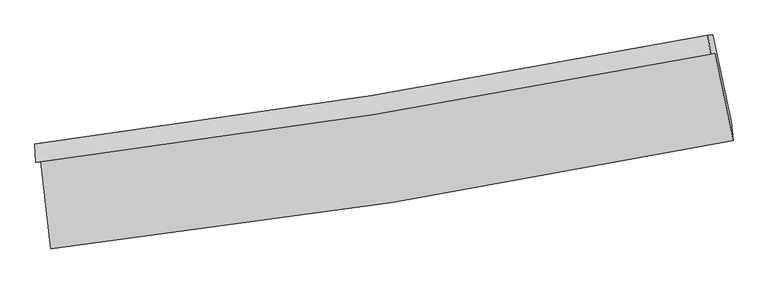
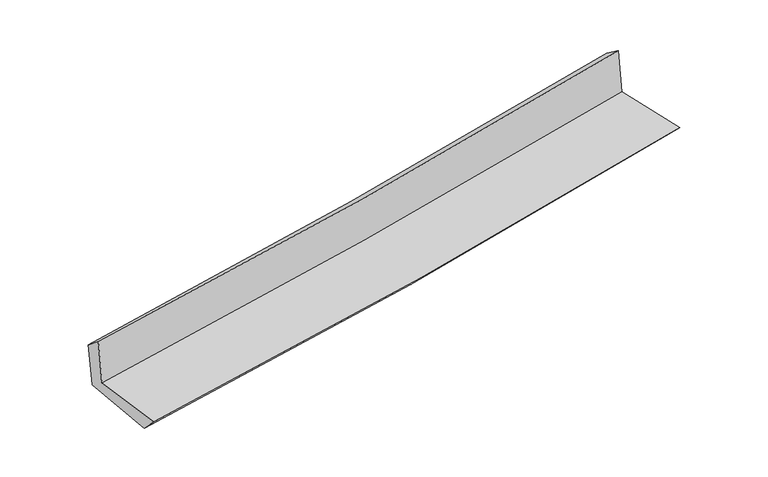
"""IFC4 building model written with IfcOpenShell, lengths in millimetres: proxy geometry."""

from ifc_helpers import new_model, si_unit, frame, origin, place, context, project, spatial, source, transform, mapped, element, save
from ifc_brep_helpers import plane_surface, spline_curve, spline_surface, advanced_brep


def generic_models_0a8a8bc8(model_context):
    return source(origin(), model_context, "Body", "AdvancedBrep", [
        advanced_brep(
        [(-2555.1228402, -1889.4748518, 1655.0274119), (-2477.2470025, -2547.8802332, 1663.680721), (2636.9523571, -1730.8890279, 2125.7059952), (2504.1815478, -1076.3138344, 2111.9257976), (-2591.743496, -1899.127751, 2064.7043483), (2468.2644572, -1085.7812797, 2513.7319177), (-2597.7661444, -1757.1139182, 1945.9817463), (2448.2734267, -941.0304213, 2411.236404), (-2562.3071045, -1755.4679967, 1559.2795897), (2484.8352278, -939.2617671, 2019.3240756), (-2481.0735572, -2405.3155887, 1520.426684), (2621.4176494, -1590.2824131, 1984.9203816)],
        [
            (0, 1),
            (1, 2, spline_curve(3, [(-2477.2470025, -2547.8802332, 1663.680721), (-1620.655073721, -2449.578333341, 1743.47267573), (-766.911804609, -2332.495854996, 1821.806361715), (937.841194057, -2060.296511554, 1975.824962673), (1788.831044918, -1905.048588222, 2051.499701574), (2636.9523571, -1730.8890279, 2125.7059952)], [4, 2, 4], [0.0, 8.471557000520939, 16.9726215702901])),
            (2, 3),
            (3, 0, spline_curve(3, [(2504.1815478, -1076.3138344, 2111.9257976), (1663.910706066, -1241.202541753, 2038.444622113), (821.429767299, -1391.502804505, 1963.56053942), (-865.020344939, -1662.455378203, 1811.251355279), (-1708.974202134, -1783.208788117, 1733.835976151), (-2555.1228402, -1889.4748518, 1655.0274119)], [4, 2, 4], [0.0, 8.501064569769163, 16.9726215702901])),
            (4, 0),
            (3, 5),
            (5, 4, spline_curve(3, [(2468.2644572, -1085.7812797, 2513.7319177), (1628.679793122, -1250.489116429, 2432.574441722), (786.482512117, -1400.714609098, 2354.517065592), (-900.204911182, -1671.729736458, 2204.862693012), (-1744.676947903, -1792.61973412, 2133.244212552), (-2591.743496, -1899.127751, 2064.7043483)], [4, 2, 4], [0.0, 8.455375423415695, 16.881401866620912])),
            (6, 4),
            (5, 7),
            (7, 6, spline_curve(3, [(2448.2734267, -941.0304213, 2411.236404), (1610.531143808, -1107.929524522, 2336.401708252), (770.421534833, -1259.477624992, 2260.143262892), (-911.608061114, -1531.399074288, 2105.048510227), (-1753.511642492, -1651.878805942, 2026.222069959), (-2597.7661444, -1757.1139182, 1945.9817463)], [4, 2, 4], [0.0, 8.445740604844955, 16.862165672358714])),
            (8, 6),
            (7, 9),
            (9, 8, spline_curve(3, [(2484.8352278, -939.2617671, 2019.3240756), (1647.062274762, -1106.178576915, 1943.692674094), (806.845140922, -1257.745778385, 1867.472259925), (-875.552575012, -1529.708148353, 1714.120016174), (-1717.716218437, -1650.209689929, 1636.992268213), (-2562.3071045, -1755.4679967, 1559.2795897)], [4, 2, 4], [0.0, 8.436619159713361, 16.843954443033006])),
            (10, 8),
            (9, 11),
            (11, 10, spline_curve(3, [(2621.4176494, -1590.2824131, 1984.9203816), (1775.430994901, -1763.995607515, 1908.15867112), (926.485692204, -1918.856998928, 1831.002027148), (-774.365213699, -2190.404080605, 1676.16805779), (-1626.250312997, -2307.220414301, 1598.493468937), (-2481.0735572, -2405.3155887, 1520.426684)], [4, 2, 4], [0.0, 8.482406073573742, 16.935369342360705])),
            (1, 10),
            (11, 2),
        ],
        [
            spline_surface(3, 3, [[(-2555.1228402, -1889.4748518, 1655.0274119), (-1708.974202044, -1783.208788239, 1733.83597604), (-865.020344854, -1662.455378334, 1811.251355302), (821.429767214, -1391.502804374, 1963.560539397), (1663.910706009, -1241.202541806, 2038.44462205), (2504.1815478, -1076.3138344, 2111.9257976)], [(-2529.164227642, -2108.943312285, 1657.911848235), (-1679.534492634, -2005.331969976, 1737.048209274), (-832.317498135, -1885.802203876, 1814.769690749), (860.233576226, -1614.434040111, 1967.648680524), (1705.550818998, -1462.484557303, 2042.796315251), (2548.438484212, -1294.505565576, 2116.519196793)], [(-2503.205615058, -2328.411772715, 1660.796284665), (-1650.094783199, -2227.455151659, 1740.260442605), (-799.614651469, -2109.14902942, 1818.288026179), (899.037385186, -1837.365275851, 1971.736821634), (1747.19093205, -1683.76657277, 2047.148008473), (2592.695420688, -1512.697296724, 2121.112596007)], [(-2477.2470025, -2547.8802332, 1663.680721), (-1620.655073789, -2449.578333396, 1743.472675839), (-766.91180475, -2332.495854962, 1821.806361626), (937.841194198, -2060.296511588, 1975.824962761), (1788.831045038, -1905.048588266, 2051.499701674), (2636.9523571, -1730.8890279, 2125.7059952)]], [4, 4], [4, 2, 4], [0.0, 2.2245886489295326], [0.0, 8.471557000520939, 16.9726215702901]),
            spline_surface(3, 3, [[(-2591.743496, -1899.127751, 2064.7043483), (-1744.676947933, -1792.619734047, 2133.244212662), (-900.204911179, -1671.729736387, 2204.862692973), (786.482512114, -1400.714609169, 2354.517065632), (1628.679793051, -1250.489116407, 2432.574441772), (2468.2644572, -1085.7812797, 2513.7319177)], [(-2579.53661072, -1895.910117918, 1928.145369525), (-1732.776032623, -1789.482752095, 2000.108133813), (-888.476722409, -1668.63828371, 2073.658913749), (798.131597142, -1397.644007578, 2224.198223553), (1640.423430703, -1247.393591533, 2301.197835208), (2480.236820732, -1082.625464593, 2379.796544343)], [(-2567.32972548, -1892.692484882, 1791.586390675), (-1720.875117354, -1786.34577019, 1866.972054889), (-876.748533624, -1665.546831011, 1942.455134526), (809.780682186, -1394.573405965, 2093.879381476), (1652.167068358, -1244.29806668, 2169.821228615), (2492.209184268, -1079.469649507, 2245.861170957)], [(-2555.1228402, -1889.4748518, 1655.0274119), (-1708.974202044, -1783.208788239, 1733.83597604), (-865.020344854, -1662.455378334, 1811.251355302), (821.429767214, -1391.502804374, 1963.560539397), (1663.910706009, -1241.202541806, 2038.44462205), (2504.1815478, -1076.3138344, 2111.9257976)]], [4, 4], [4, 2, 4], [0.0, 1.292493178974292], [0.0, 8.426026443205217, 16.881401866620912]),
            spline_surface(3, 3, [[(-2597.7661444, -1757.1139182, 1945.9817463), (-1753.511642536, -1651.878806075, 2026.222069943), (-911.608061152, -1531.399074267, 2105.048510282), (770.421534872, -1259.477625013, 2260.143262837), (1610.531143871, -1107.929524553, 2336.401708376), (2448.2734267, -941.0304213, 2411.236404)], [(-2595.758594961, -1804.451862474, 1985.555946961), (-1750.566744362, -1698.79244874, 2061.89611751), (-907.807011157, -1578.175961657, 2138.319904504), (775.775193957, -1306.556619748, 2291.601197094), (1616.580693599, -1155.449388522, 2368.459286166), (2454.937103535, -989.280707451, 2445.401575225)], [(-2593.751045439, -1851.789806726, 2025.130147639), (-1747.621846106, -1745.706091382, 2097.570165095), (-904.005961175, -1624.952848998, 2171.591298751), (781.128853029, -1353.635614434, 2323.059131375), (1622.630243323, -1202.969252438, 2400.516863982), (2461.600780365, -1037.530993549, 2479.566746475)], [(-2591.743496, -1899.127751, 2064.7043483), (-1744.676947933, -1792.619734047, 2133.244212662), (-900.204911179, -1671.729736387, 2204.862692973), (786.482512114, -1400.714609169, 2354.517065632), (1628.679793051, -1250.489116407, 2432.574441772), (2468.2644572, -1085.7812797, 2513.7319177)]], [4, 4], [4, 2, 4], [0.0, 0.562879096552008], [0.0, 8.416425067513758, 16.862165672358714]),
            spline_surface(3, 3, [[(-2562.3071045, -1755.4679967, 1559.2795897), (-1717.716218317, -1650.209689848, 1636.992268159), (-875.552574889, -1529.708148261, 1714.120016124), (806.845140799, -1257.745778477, 1867.472259975), (1647.062274839, -1106.178576825, 1943.692673966), (2484.8352278, -939.2617671, 2019.3240756)], [(-2574.126784459, -1756.016637206, 1688.180308555), (-1729.648026382, -1650.76606193, 1766.735535409), (-887.571070314, -1530.271790246, 1844.429514178), (794.70393882, -1258.323060638, 1998.362594263), (1634.8852312, -1106.762226038, 2074.59568543), (2472.647960784, -939.85131847, 2149.961518394)], [(-2585.946464441, -1756.565277694, 1817.081027445), (-1741.579834471, -1651.322433994, 1896.478802693), (-899.589565728, -1530.835432283, 1974.739012229), (782.562736851, -1258.900342851, 2129.252928549), (1622.708187509, -1107.34587534, 2205.498696912), (2460.460693716, -940.44086993, 2280.598961206)], [(-2597.7661444, -1757.1139182, 1945.9817463), (-1753.511642536, -1651.878806075, 2026.222069943), (-911.608061152, -1531.399074267, 2105.048510282), (770.421534872, -1259.477625013, 2260.143262837), (1610.531143871, -1107.929524553, 2336.401708376), (2448.2734267, -941.0304213, 2411.236404)]], [4, 4], [4, 2, 4], [0.0, 1.2909414658407856], [0.0, 8.407335283319645, 16.843954443033006]),
            spline_surface(3, 3, [[(-2481.0735572, -2405.3155887, 1520.426684), (-1626.250313099, -2307.220414283, 1598.493469069), (-774.365213625, -2190.404080495, 1676.168057759), (926.48569213, -1918.856999038, 1831.002027179), (1775.430994846, -1763.995607634, 1908.158671056), (2621.4176494, -1590.2824131, 1984.9203816)], [(-2508.151406296, -2188.699724709, 1533.377652565), (-1656.738948168, -2088.21683948, 1611.326402097), (-808.094334053, -1970.172103092, 1688.818710558), (886.605508346, -1698.486592193, 1843.158771455), (1732.641421492, -1544.723264062, 1920.003338713), (2575.890175515, -1373.275531132, 1996.388279621)], [(-2535.229255404, -1972.083860691, 1546.328621135), (-1687.227583248, -1869.213264651, 1624.159335131), (-841.823454461, -1749.940125664, 1701.469363325), (846.725324583, -1478.116185322, 1855.315515699), (1689.851848193, -1325.450920396, 1931.848006309), (2530.362701685, -1156.268649068, 2007.856177579)], [(-2562.3071045, -1755.4679967, 1559.2795897), (-1717.716218317, -1650.209689848, 1636.992268159), (-875.552574889, -1529.708148261, 1714.120016124), (806.845140799, -1257.745778477, 1867.472259975), (1647.062274839, -1106.178576825, 1943.692673966), (2484.8352278, -939.2617671, 2019.3240756)]], [4, 4], [4, 2, 4], [0.0, 2.201776639655684], [0.0, 8.452963268786963, 16.935369342360705]),
            spline_surface(3, 3, [[(-2477.2470025, -2547.8802332, 1663.680721), (-1620.655073789, -2449.578333396, 1743.472675839), (-766.91180475, -2332.495854962, 1821.806361626), (937.841194198, -2060.296511588, 1975.824962761), (1788.831045038, -1905.048588266, 2051.499701674), (2636.9523571, -1730.8890279, 2125.7059952)], [(-2478.522520722, -2500.358685009, 1615.92937536), (-1622.520153548, -2402.125693667, 1695.146273609), (-769.396274382, -2285.131930126, 1773.260260329), (934.056026835, -2013.150007391, 1927.550650892), (1784.364361662, -1858.030928033, 2003.719358127), (2631.774121222, -1684.020156278, 2078.777457326)], [(-2479.798038978, -2452.837136891, 1568.17802964), (-1624.38523334, -2354.673054012, 1646.819871299), (-771.880743993, -2237.768005331, 1724.714159056), (930.270859493, -1966.003503236, 1879.276339048), (1779.897678222, -1811.013267867, 1955.939014603), (2626.595885278, -1637.151284722, 2031.848919474)], [(-2481.0735572, -2405.3155887, 1520.426684), (-1626.250313099, -2307.220414283, 1598.493469069), (-774.365213625, -2190.404080495, 1676.168057759), (926.48569213, -1918.856999038, 1831.002027179), (1775.430994846, -1763.995607634, 1908.158671056), (2621.4176494, -1590.2824131, 1984.9203816)]], [4, 4], [4, 2, 4], [0.0, 0.6665619187264111], [0.0, 8.507627153198165, 17.0448875128241]),
            plane_surface(frame((2527.3207777, -1227.2597906, 2194.4740953), z_axis=(0.9755159336788174, 0.19980371394913005, 0.0919083186163225), x_axis=(-0.09288649585194368, -0.004493325766620293, 0.9956665651270519))),
            plane_surface(frame((-2544.2100241, -2042.3967233, 1734.8500835), z_axis=(-0.9888010457948896, -0.11815311866809919, -0.09117199341867456), x_axis=(-0.11745067804918675, 0.9929929589436924, -0.013050736149228217))),
        ],
        [
            (0, [[1, 2, 3, 4]]),
            (1, [[5, -4, 6, 7]]),
            (2, [[8, -7, 9, 10]]),
            (3, [[11, -10, 12, 13]]),
            (4, [[14, -13, 15, 16]]),
            (5, [[17, -16, 18, -2]]),
            (6, [[-12, -9, -6, -3, -18, -15]]),
            (7, [[-1, -5, -8, -11, -14, -17]]),
        ],
    ),
    ])


if __name__ == "__main__":
    model = new_model("IFC4")
    model_context = context("Model", 3, world=origin())
    ifc_project = project(units=[si_unit("LENGTHUNIT", "METRE", prefix="MILLI")], contexts=[model_context])
    site = spatial("IfcSite", under=ifc_project)
    building = spatial("IfcBuilding", under=site)
    placement = place(None, origin())
    generic_models_shape = generic_models_0a8a8bc8(model_context)
    element("IfcBuildingElementProxy", 1, Name="Generic Models", at=placement, inside=building, context=model_context, shape_type="MappedRepresentation", body=[
        mapped(generic_models_shape, transform((0.0, 0.0, 0.0), x_axis=(1.0, 0.0, 0.0), y_axis=(0.0, 1.0, 0.0), z_axis=(0.0, 0.0, 1.0))),
    ])
    save(model, "model.ifc")
